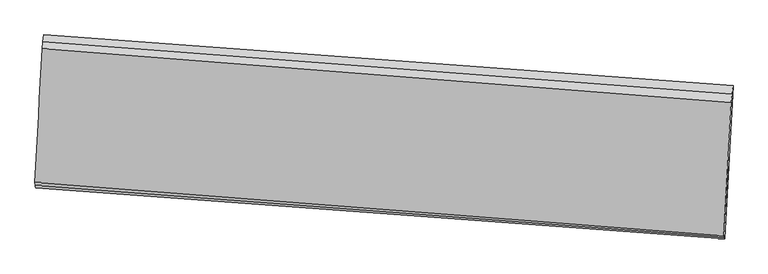
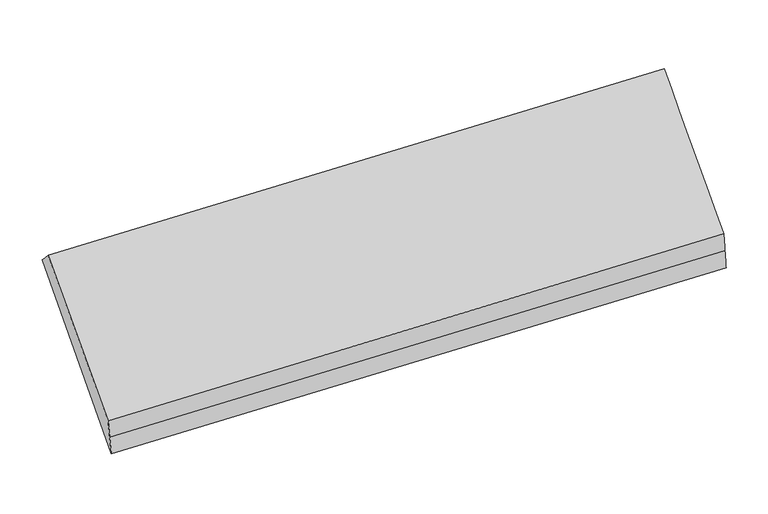
"""IFC4 building model written with IfcOpenShell, lengths in millimetres: proxy geometry."""

from ifc_helpers import new_model, si_unit, frame, origin, place, context, project, spatial, source, transform, mapped, element, save
from ifc_brep_helpers import plane_surface, spline_surface, advanced_brep


def generic_models_b3172e10(model_context):
    return source(origin(), model_context, "Body", "AdvancedBrep", [
        advanced_brep(
        [(-5251.8181557, -767.5958039, 2266.7093276), (-5257.4039908, -816.8717983, 2319.7286684), (-410.4497164, -1184.9890456, 2462.6923744), (-403.8462161, -1126.7356188, 2400.0136132), (-5309.2278723, -1846.7220913, 1257.7246573), (-461.142896, -2203.7371624, 1393.0155816), (-5311.6652191, -1827.6893235, 1390.8438363), (-464.5581278, -2193.3309027, 1535.4165981), (-5314.102566, -1808.6565556, 1523.9630153), (-467.9733596, -2182.924643, 1677.8176146), (-5262.989826, -866.1477927, 2372.7480092), (-417.0532166, -1243.2424724, 2525.3711357)],
        [
            (0, 1),
            (1, 2),
            (2, 3),
            (3, 0),
            (4, 0),
            (3, 5),
            (5, 4),
            (6, 4),
            (5, 7),
            (7, 6),
            (8, 6),
            (7, 9),
            (9, 8),
            (10, 8),
            (9, 11),
            (11, 10),
            (1, 10),
            (11, 2),
        ],
        [
            plane_surface(frame((-5254.6110732, -792.2338011, 2293.218998), z_axis=(0.03532935557230674, 0.7301759562616383, 0.682345154252778), x_axis=(-0.07694268342603888, -0.6787574516994138, 0.7303205770274573))),
            plane_surface(frame((-5280.523014, -1307.1589476, 1762.2169924), z_axis=(0.0704073536538683, 0.6792731982534087, -0.7305003262737426), x_axis=(0.0388306162353718, 0.729896282735896, 0.6824541007944067))),
            spline_surface(1, 1, [[(-5311.6652191, -1827.6893235, 1390.8438363), (-464.5581278, -2193.3309027, 1535.4165981)], [(-5309.2278723, -1846.7220913, 1257.7246573), (-461.142896, -2203.7371624, 1393.0155816)]], [2, 2], [2, 2], [0.0, 1.0], [0.0, 1.0]),
            spline_surface(1, 1, [[(-5314.102566, -1808.6565556, 1523.9630153), (-467.9733596, -2182.924643, 1677.8176146)], [(-5311.6652191, -1827.6893235, 1390.8438363), (-464.5581278, -2193.3309027, 1535.4165981)]], [2, 2], [2, 2], [0.0, 1.0], [0.0, 1.0]),
            spline_surface(1, 1, [[(-5262.989826, -866.1477927, 2372.7480092), (-417.0532166, -1243.2424724, 2525.3711357)], [(-5314.102566, -1808.6565556, 1523.9630153), (-467.9733596, -2182.924643, 1677.8176146)]], [2, 2], [2, 2], [0.0, 1.0], [0.0, 1.0]),
            plane_surface(frame((-5260.1969084, -841.5097955, 2346.2383388), z_axis=(0.035329355572306556, 0.7301759562616363, 0.6823451542527804), x_axis=(-0.07694268342603933, -0.6787574516994161, 0.7303205770274552))),
            plane_surface(frame((-437.5039221, -1689.1599742, 1999.0544863), z_axis=(0.9962790807349023, -0.0808686478855738, 0.029803608492550968), x_axis=(0.023912575458891007, -0.0728619564361861, -0.9970553264685036))),
            plane_surface(frame((-5284.534605, -1322.2805609, 1855.2862523), z_axis=(-0.9962790807349021, 0.08086864788557627, -0.029803608492553254), x_axis=(0.0769426834260412, 0.6787574516994149, -0.7303205770274562))),
        ],
        [
            (0, [[1, 2, 3, 4]]),
            (1, [[5, -4, 6, 7]]),
            (2, [[8, -7, 9, 10]]),
            (3, [[11, -10, 12, 13]]),
            (4, [[14, -13, 15, 16]]),
            (5, [[17, -16, 18, -2]]),
            (6, [[-12, -9, -6, -3, -18, -15]]),
            (7, [[-1, -5, -8, -11, -14, -17]]),
        ],
    ),
    ])


if __name__ == "__main__":
    model = new_model("IFC4")
    model_context = context("Model", 3, world=origin())
    ifc_project = project(units=[si_unit("LENGTHUNIT", "METRE", prefix="MILLI")], contexts=[model_context])
    site = spatial("IfcSite", under=ifc_project)
    building = spatial("IfcBuilding", under=site)
    placement = place(None, origin())
    generic_models_shape = generic_models_b3172e10(model_context)
    element("IfcBuildingElementProxy", 1, Name="Generic Models", at=placement, inside=building, context=model_context, shape_type="MappedRepresentation", body=[
        mapped(generic_models_shape, transform((0.0, 0.0, 0.0), x_axis=(1.0, 0.0, 0.0), y_axis=(0.0, 1.0, 0.0), z_axis=(0.0, 0.0, 1.0))),
    ])
    save(model, "model.ifc")
